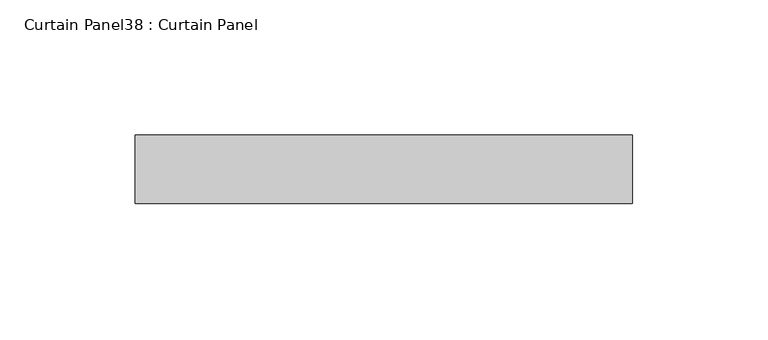
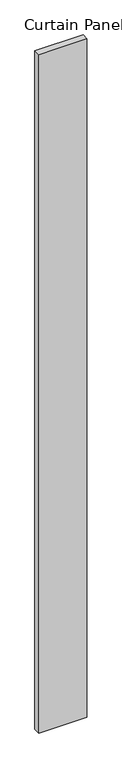
"""IFC4 building model written with IfcOpenShell, lengths in millimetres: plate geometry, Curtain Panel38 : Curtain Panel."""

import ifcopenshell
import ifcopenshell.guid

model = None  # the IFC model being written
_history = None  # IfcOwnerHistory: only IFC2X3 demands one
_inside = {}  # id of a spatial element -> (the spatial element, [elements in it])
_under = {}  # id of a project, library or spatial element -> (it, [spatial elements below it])
_declared = {}  # id of a project -> (the project, [libraries it declares])
_typed = {}  # id of a type object -> (the type object, [elements of that type])
_made_of = {}  # id of a material, layer set ... -> (it, [elements and type objects made of it])


def new_model(schema):
    """Start an empty IFC model of exactly this schema.

    Asked for "IFC4X3", IfcOpenShell would pick the latest addendum, in which some entities
    have other attributes; the version numbers below select the first issue.
    IFC2X3 requires an IfcOwnerHistory on every rooted entity: one is made here for all.
    """
    global model, _history
    if schema == "IFC4X3":
        model = ifcopenshell.file(schema_version=(4, 3, 0, 0))
    else:
        model = ifcopenshell.file(schema=schema)
    _inside.clear()
    _under.clear()
    _declared.clear()
    _typed.clear()
    _made_of.clear()
    _history = None
    if model.schema == "IFC2X3":
        org = make("IfcOrganization", Name="unknown")
        user = make(
            "IfcPersonAndOrganization",
            ThePerson=make("IfcPerson", FamilyName="unknown"),
            TheOrganization=org,
        )
        app = make(
            "IfcApplication",
            ApplicationDeveloper=org,
            Version="unknown",
            ApplicationFullName="unknown",
            ApplicationIdentifier="unknown",
        )
        _history = make(
            "IfcOwnerHistory",
            OwningUser=user,
            OwningApplication=app,
            ChangeAction="ADDED",
            CreationDate=0,
        )
    return model


def make(cls, **values):
    """One entity of the class cls with the attributes given. An attribute that is None is left unset."""
    return model.create_entity(
        cls, **{name: value for name, value in values.items() if value is not None}
    )


def rooted(cls, **values):
    """An entity with a GlobalId (a new one), such as an element, a storey or a relation."""
    return make(cls, GlobalId=ifcopenshell.guid.new(), OwnerHistory=_history, **values)


def si_unit(unit_type, name, prefix=None):
    """IfcSIUnit, for example si_unit("LENGTHUNIT", "METRE", prefix="MILLI")."""
    return make("IfcSIUnit", UnitType=unit_type, Prefix=prefix, Name=name)


def assignment(units):
    """IfcUnitAssignment: the units of a project."""
    return None if units is None else make("IfcUnitAssignment", Units=units)


def point(xyz):
    """IfcCartesianPoint."""
    return None if xyz is None else make("IfcCartesianPoint", Coordinates=xyz)


def direction(xyz):
    """IfcDirection."""
    return None if xyz is None else make("IfcDirection", DirectionRatios=xyz)


def frame(location, z_axis=None, x_axis=None):
    """IfcAxis2Placement3D, a coordinate frame: its origin and axes. An axis left out is left unset."""
    return make(
        "IfcAxis2Placement3D",
        Location=point(location),
        Axis=direction(z_axis),
        RefDirection=direction(x_axis),
    )


def origin():
    """The frame at (0, 0, 0) with its axes left unset."""
    return frame((0.0, 0.0, 0.0))


def place(relative_to, where):
    """IfcLocalPlacement: puts the frame where relative to a parent placement (None: the world)."""
    return make(
        "IfcLocalPlacement", PlacementRelTo=relative_to, RelativePlacement=where
    )


def context(
    kind, dimensions, precision=None, world=None, true_north=None, identifier=None
):
    """IfcGeometricRepresentationContext, for example the 3D "Model" context."""
    return make(
        "IfcGeometricRepresentationContext",
        ContextIdentifier=identifier,
        ContextType=kind,
        CoordinateSpaceDimension=dimensions,
        Precision=precision,
        WorldCoordinateSystem=world,
        TrueNorth=true_north,
    )


def project(units=None, contexts=None):
    """IfcProject with its units and contexts."""
    return rooted(
        "IfcProject",
        Name="project",
        RepresentationContexts=contexts,
        UnitsInContext=assignment(units),
    )


def spatial(cls, under=None, at=None, **own):
    """A site, building, storey or space (cls), placed at a placement, below another one or the project."""
    s = rooted(cls, ObjectPlacement=at, **own)
    if under is not None:
        _under.setdefault(under.id(), (under, []))[1].append(s)
    return s


def polyline(points):
    """IfcPolyline through the points."""
    return make("IfcPolyline", Points=[point(p) for p in points])


def outline(outer, holes=None, kind="AREA"):
    """IfcArbitraryClosedProfileDef: a profile drawn as a closed curve; with holes, ...WithVoids."""
    if holes is None:
        return make("IfcArbitraryClosedProfileDef", ProfileType=kind, OuterCurve=outer)
    return make(
        "IfcArbitraryProfileDefWithVoids",
        ProfileType=kind,
        OuterCurve=outer,
        InnerCurves=holes,
    )


def extrude(swept, where, along, depth):
    """IfcExtrudedAreaSolid: the profile swept, set in the frame where, extruded along a direction by depth."""
    return make(
        "IfcExtrudedAreaSolid",
        SweptArea=swept,
        Position=where,
        ExtrudedDirection=direction(along),
        Depth=depth,
    )


def shape(context_of_items, identifier, shape_type, items):
    """IfcShapeRepresentation: the items that make up one representation, for example the "Body"."""
    return make(
        "IfcShapeRepresentation",
        ContextOfItems=context_of_items,
        RepresentationIdentifier=identifier,
        RepresentationType=shape_type,
        Items=items,
    )


def source(mapping_origin, context_of_items, identifier, shape_type, items):
    """IfcRepresentationMap: a shape defined once, which mapped items show again and again."""
    return make(
        "IfcRepresentationMap",
        MappingOrigin=mapping_origin,
        MappedRepresentation=shape(context_of_items, identifier, shape_type, items),
    )


def transform(
    local_origin,
    x_axis=None,
    y_axis=None,
    z_axis=None,
    scale=None,
    scale2=None,
    scale3=None,
    uniform=True,
):
    """IfcCartesianTransformationOperator3D, or its non-uniform kind. x_axis, y_axis, z_axis: its Axis1, 2, 3."""
    if uniform:
        return make(
            "IfcCartesianTransformationOperator3D",
            Axis1=direction(x_axis),
            Axis2=direction(y_axis),
            LocalOrigin=point(local_origin),
            Scale=scale,
            Axis3=direction(z_axis),
        )
    return make(
        "IfcCartesianTransformationOperator3DnonUniform",
        Axis1=direction(x_axis),
        Axis2=direction(y_axis),
        LocalOrigin=point(local_origin),
        Scale=scale,
        Axis3=direction(z_axis),
        Scale2=scale2,
        Scale3=scale3,
    )


def mapped(mapping_source, mapping_target):
    """IfcMappedItem: shows the shape of a source again, moved by a transform."""
    return make(
        "IfcMappedItem", MappingSource=mapping_source, MappingTarget=mapping_target
    )


def made_of(thing, what):
    """Note that an element or type object is made of a material, layer set ...; save() writes the relation."""
    if what is not None:
        _made_of.setdefault(what.id(), (what, []))[1].append(thing)
    return thing


def element(
    cls,
    number,
    at=None,
    inside=None,
    cuts=None,
    type_object=None,
    material=None,
    context=None,
    identifier="Body",
    shape_type=None,
    held_by="IfcProductDefinitionShape",
    body=None,
    shapes=None,
    **own,
):
    """One element of the class cls, such as IfcWall. Its Tag is "e" and its number.

    at: its placement. inside: the storey or other place that contains it. cuts: it is an
    opening in that element (IfcRelVoidsElement). A single representation is given by context,
    identifier, shape_type and body (its items); several are given by shapes. held_by: the class
    of the entity that holds the representations. save() writes the other relations.
    """
    e = rooted(cls, Tag="e%d" % number, ObjectPlacement=at, **own)
    if body is not None:
        shapes = [shape(context, identifier, shape_type, body)]
    if shapes is not None:
        e.Representation = make(held_by, Representations=shapes)
    if inside is not None:
        _inside.setdefault(inside.id(), (inside, []))[1].append(e)
    if cuts is not None:
        rooted(
            "IfcRelVoidsElement", RelatingBuildingElement=cuts, RelatedOpeningElement=e
        )
    if type_object is not None:
        _typed.setdefault(type_object.id(), (type_object, []))[1].append(e)
    return made_of(e, material)


def aggregate(whole, parts):
    """IfcRelAggregates: a whole, such as a stair, and the parts it consists of."""
    return rooted("IfcRelAggregates", RelatingObject=whole, RelatedObjects=parts)


def save(model, path):
    """Write the relations noted so far, then the file.

    IfcRelAggregates (storeys below a building ...), IfcRelContainedInSpatialStructure (elements
    in a storey), IfcRelDefinesByType, IfcRelAssociatesMaterial and IfcRelDeclares: one each for
    every whole, place, type object, material and project.
    """
    for whole, parts in _under.values():
        aggregate(whole, parts)
    for where, things in _inside.values():
        rooted(
            "IfcRelContainedInSpatialStructure",
            RelatedElements=things,
            RelatingStructure=where,
        )
    for kind, things in _typed.values():
        rooted("IfcRelDefinesByType", RelatedObjects=things, RelatingType=kind)
    for what, things in _made_of.values():
        rooted("IfcRelAssociatesMaterial", RelatedObjects=things, RelatingMaterial=what)
    for by, libraries in _declared.values():
        rooted("IfcRelDeclares", RelatingContext=by, RelatedDefinitions=libraries)
    model.write(path)


def curtain_panel38_curtain_panel_5819efef(model_context):
    return source(origin(), model_context, "Body", "SweptSolid", [
        extrude(outline(polyline([(86350.4746308, 2645.1235243), (86166.3246308, 2645.1235243), (86166.3246308, 2670.5235243), (86350.4746308, 2670.5235243), (86350.4746308, 2645.1235243)])), frame((0.0, 0.0, -687.1377978), z_axis=(0.0, 0.0, 1.0), x_axis=(1.0, 0.0, 0.0)), (0.0, 0.0, 1.0), 2743.2),
    ])


if __name__ == "__main__":
    model = new_model("IFC4")
    model_context = context("Model", 3, world=origin())
    ifc_project = project(units=[si_unit("LENGTHUNIT", "METRE", prefix="MILLI")], contexts=[model_context])
    site = spatial("IfcSite", under=ifc_project)
    building = spatial("IfcBuilding", under=site)
    placement = place(None, origin())
    curtain_panel38_curtain_panel_shape = curtain_panel38_curtain_panel_5819efef(model_context)
    element("IfcPlate", 1, ObjectType="Curtain Panel38 : Curtain Panel", at=placement, inside=building, context=model_context, shape_type="MappedRepresentation", body=[
        mapped(curtain_panel38_curtain_panel_shape, transform((0.0, 0.0, 0.0), x_axis=(1.0, 0.0, 0.0), y_axis=(0.0, 1.0, 0.0), z_axis=(0.0, 0.0, 1.0))),
    ])
    save(model, "model.ifc")
